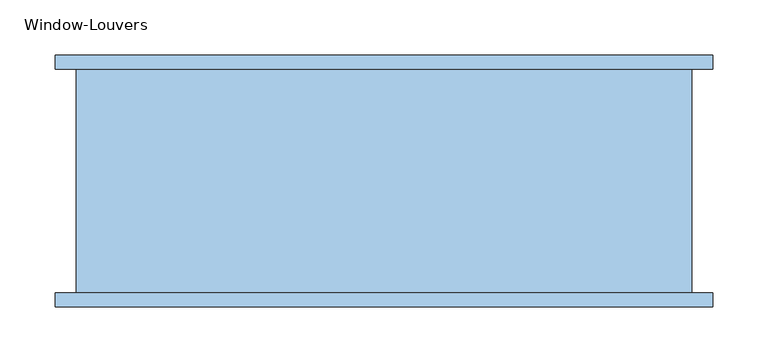
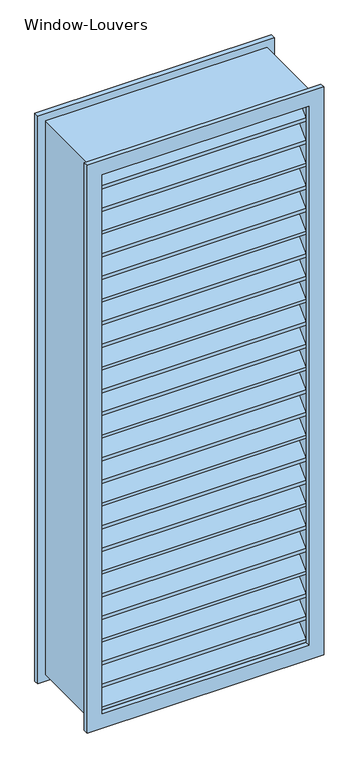
"""IFC4 building model written with IfcOpenShell, lengths in millimetres: window geometry, Window-Louvers."""

import ifcopenshell
import ifcopenshell.guid

model = None  # the IFC model being written
_history = None  # IfcOwnerHistory: only IFC2X3 demands one
_inside = {}  # id of a spatial element -> (the spatial element, [elements in it])
_under = {}  # id of a project, library or spatial element -> (it, [spatial elements below it])
_declared = {}  # id of a project -> (the project, [libraries it declares])
_typed = {}  # id of a type object -> (the type object, [elements of that type])
_made_of = {}  # id of a material, layer set ... -> (it, [elements and type objects made of it])


def new_model(schema):
    """Start an empty IFC model of exactly this schema.

    Asked for "IFC4X3", IfcOpenShell would pick the latest addendum, in which some entities
    have other attributes; the version numbers below select the first issue.
    IFC2X3 requires an IfcOwnerHistory on every rooted entity: one is made here for all.
    """
    global model, _history
    if schema == "IFC4X3":
        model = ifcopenshell.file(schema_version=(4, 3, 0, 0))
    else:
        model = ifcopenshell.file(schema=schema)
    _inside.clear()
    _under.clear()
    _declared.clear()
    _typed.clear()
    _made_of.clear()
    _history = None
    if model.schema == "IFC2X3":
        org = make("IfcOrganization", Name="unknown")
        user = make(
            "IfcPersonAndOrganization",
            ThePerson=make("IfcPerson", FamilyName="unknown"),
            TheOrganization=org,
        )
        app = make(
            "IfcApplication",
            ApplicationDeveloper=org,
            Version="unknown",
            ApplicationFullName="unknown",
            ApplicationIdentifier="unknown",
        )
        _history = make(
            "IfcOwnerHistory",
            OwningUser=user,
            OwningApplication=app,
            ChangeAction="ADDED",
            CreationDate=0,
        )
    return model


def make(cls, **values):
    """One entity of the class cls with the attributes given. An attribute that is None is left unset."""
    return model.create_entity(
        cls, **{name: value for name, value in values.items() if value is not None}
    )


def rooted(cls, **values):
    """An entity with a GlobalId (a new one), such as an element, a storey or a relation."""
    return make(cls, GlobalId=ifcopenshell.guid.new(), OwnerHistory=_history, **values)


def si_unit(unit_type, name, prefix=None):
    """IfcSIUnit, for example si_unit("LENGTHUNIT", "METRE", prefix="MILLI")."""
    return make("IfcSIUnit", UnitType=unit_type, Prefix=prefix, Name=name)


def assignment(units):
    """IfcUnitAssignment: the units of a project."""
    return None if units is None else make("IfcUnitAssignment", Units=units)


def point(xyz):
    """IfcCartesianPoint."""
    return None if xyz is None else make("IfcCartesianPoint", Coordinates=xyz)


def direction(xyz):
    """IfcDirection."""
    return None if xyz is None else make("IfcDirection", DirectionRatios=xyz)


def frame(location, z_axis=None, x_axis=None):
    """IfcAxis2Placement3D, a coordinate frame: its origin and axes. An axis left out is left unset."""
    return make(
        "IfcAxis2Placement3D",
        Location=point(location),
        Axis=direction(z_axis),
        RefDirection=direction(x_axis),
    )


def origin():
    """The frame at (0, 0, 0) with its axes left unset."""
    return frame((0.0, 0.0, 0.0))


def place(relative_to, where):
    """IfcLocalPlacement: puts the frame where relative to a parent placement (None: the world)."""
    return make(
        "IfcLocalPlacement", PlacementRelTo=relative_to, RelativePlacement=where
    )


def context(
    kind, dimensions, precision=None, world=None, true_north=None, identifier=None
):
    """IfcGeometricRepresentationContext, for example the 3D "Model" context."""
    return make(
        "IfcGeometricRepresentationContext",
        ContextIdentifier=identifier,
        ContextType=kind,
        CoordinateSpaceDimension=dimensions,
        Precision=precision,
        WorldCoordinateSystem=world,
        TrueNorth=true_north,
    )


def project(units=None, contexts=None):
    """IfcProject with its units and contexts."""
    return rooted(
        "IfcProject",
        Name="project",
        RepresentationContexts=contexts,
        UnitsInContext=assignment(units),
    )


def spatial(cls, under=None, at=None, **own):
    """A site, building, storey or space (cls), placed at a placement, below another one or the project."""
    s = rooted(cls, ObjectPlacement=at, **own)
    if under is not None:
        _under.setdefault(under.id(), (under, []))[1].append(s)
    return s


def polyline(points):
    """IfcPolyline through the points."""
    return make("IfcPolyline", Points=[point(p) for p in points])


def outline(outer, holes=None, kind="AREA"):
    """IfcArbitraryClosedProfileDef: a profile drawn as a closed curve; with holes, ...WithVoids."""
    if holes is None:
        return make("IfcArbitraryClosedProfileDef", ProfileType=kind, OuterCurve=outer)
    return make(
        "IfcArbitraryProfileDefWithVoids",
        ProfileType=kind,
        OuterCurve=outer,
        InnerCurves=holes,
    )


def extrude(swept, where, along, depth):
    """IfcExtrudedAreaSolid: the profile swept, set in the frame where, extruded along a direction by depth."""
    return make(
        "IfcExtrudedAreaSolid",
        SweptArea=swept,
        Position=where,
        ExtrudedDirection=direction(along),
        Depth=depth,
    )


def shape(context_of_items, identifier, shape_type, items):
    """IfcShapeRepresentation: the items that make up one representation, for example the "Body"."""
    return make(
        "IfcShapeRepresentation",
        ContextOfItems=context_of_items,
        RepresentationIdentifier=identifier,
        RepresentationType=shape_type,
        Items=items,
    )


def source(mapping_origin, context_of_items, identifier, shape_type, items):
    """IfcRepresentationMap: a shape defined once, which mapped items show again and again."""
    return make(
        "IfcRepresentationMap",
        MappingOrigin=mapping_origin,
        MappedRepresentation=shape(context_of_items, identifier, shape_type, items),
    )


def transform(
    local_origin,
    x_axis=None,
    y_axis=None,
    z_axis=None,
    scale=None,
    scale2=None,
    scale3=None,
    uniform=True,
):
    """IfcCartesianTransformationOperator3D, or its non-uniform kind. x_axis, y_axis, z_axis: its Axis1, 2, 3."""
    if uniform:
        return make(
            "IfcCartesianTransformationOperator3D",
            Axis1=direction(x_axis),
            Axis2=direction(y_axis),
            LocalOrigin=point(local_origin),
            Scale=scale,
            Axis3=direction(z_axis),
        )
    return make(
        "IfcCartesianTransformationOperator3DnonUniform",
        Axis1=direction(x_axis),
        Axis2=direction(y_axis),
        LocalOrigin=point(local_origin),
        Scale=scale,
        Axis3=direction(z_axis),
        Scale2=scale2,
        Scale3=scale3,
    )


def mapped(mapping_source, mapping_target):
    """IfcMappedItem: shows the shape of a source again, moved by a transform."""
    return make(
        "IfcMappedItem", MappingSource=mapping_source, MappingTarget=mapping_target
    )


def made_of(thing, what):
    """Note that an element or type object is made of a material, layer set ...; save() writes the relation."""
    if what is not None:
        _made_of.setdefault(what.id(), (what, []))[1].append(thing)
    return thing


def element(
    cls,
    number,
    at=None,
    inside=None,
    cuts=None,
    type_object=None,
    material=None,
    context=None,
    identifier="Body",
    shape_type=None,
    held_by="IfcProductDefinitionShape",
    body=None,
    shapes=None,
    **own,
):
    """One element of the class cls, such as IfcWall. Its Tag is "e" and its number.

    at: its placement. inside: the storey or other place that contains it. cuts: it is an
    opening in that element (IfcRelVoidsElement). A single representation is given by context,
    identifier, shape_type and body (its items); several are given by shapes. held_by: the class
    of the entity that holds the representations. save() writes the other relations.
    """
    e = rooted(cls, Tag="e%d" % number, ObjectPlacement=at, **own)
    if body is not None:
        shapes = [shape(context, identifier, shape_type, body)]
    if shapes is not None:
        e.Representation = make(held_by, Representations=shapes)
    if inside is not None:
        _inside.setdefault(inside.id(), (inside, []))[1].append(e)
    if cuts is not None:
        rooted(
            "IfcRelVoidsElement", RelatingBuildingElement=cuts, RelatedOpeningElement=e
        )
    if type_object is not None:
        _typed.setdefault(type_object.id(), (type_object, []))[1].append(e)
    return made_of(e, material)


def aggregate(whole, parts):
    """IfcRelAggregates: a whole, such as a stair, and the parts it consists of."""
    return rooted("IfcRelAggregates", RelatingObject=whole, RelatedObjects=parts)


def save(model, path):
    """Write the relations noted so far, then the file.

    IfcRelAggregates (storeys below a building ...), IfcRelContainedInSpatialStructure (elements
    in a storey), IfcRelDefinesByType, IfcRelAssociatesMaterial and IfcRelDeclares: one each for
    every whole, place, type object, material and project.
    """
    for whole, parts in _under.values():
        aggregate(whole, parts)
    for where, things in _inside.values():
        rooted(
            "IfcRelContainedInSpatialStructure",
            RelatedElements=things,
            RelatingStructure=where,
        )
    for kind, things in _typed.values():
        rooted("IfcRelDefinesByType", RelatedObjects=things, RelatingType=kind)
    for what, things in _made_of.values():
        rooted("IfcRelAssociatesMaterial", RelatedObjects=things, RelatingMaterial=what)
    for by, libraries in _declared.values():
        rooted("IfcRelDeclares", RelatingContext=by, RelatedDefinitions=libraries)
    model.write(path)


def window_louvers_42c56d5c(model_context):
    return source(origin(), model_context, "Body", "SweptSolid", [
        extrude(outline(polyline([(-95.25, 2270.1013155), (-57.15, 2308.2013155), (-19.05, 2270.1013155), (-19.05, 2261.1210594), (-57.15, 2299.2210594), (-95.25, 2261.1210594), (-95.25, 2270.1013155)])), frame((-260.35, 0.0, 0.0), z_axis=(1.0, 0.0, 0.0), x_axis=(0.0, 1.0, 0.0)), (0.0, 0.0, 1.0), 520.7),
        extrude(outline(polyline([(-95.25, 2209.752631), (-57.15, 2247.852631), (-19.05, 2209.752631), (-19.05, 2200.7723748), (-57.15, 2238.8723748), (-95.25, 2200.7723748), (-95.25, 2209.752631)])), frame((-260.35, 0.0, 0.0), z_axis=(1.0, 0.0, 0.0), x_axis=(0.0, 1.0, 0.0)), (0.0, 0.0, 1.0), 520.7),
        extrude(outline(polyline([(-95.25, 2149.4039465), (-57.15, 2187.5039465), (-19.05, 2149.4039465), (-19.05, 2140.4236903), (-57.15, 2178.5236903), (-95.25, 2140.4236903), (-95.25, 2149.4039465)])), frame((-260.35, 0.0, 0.0), z_axis=(1.0, 0.0, 0.0), x_axis=(0.0, 1.0, 0.0)), (0.0, 0.0, 1.0), 520.7),
        extrude(outline(polyline([(-95.25, 2089.0552619), (-57.15, 2127.1552619), (-19.05, 2089.0552619), (-19.05, 2080.0750058), (-57.15, 2118.1750058), (-95.25, 2080.0750058), (-95.25, 2089.0552619)])), frame((-260.35, 0.0, 0.0), z_axis=(1.0, 0.0, 0.0), x_axis=(0.0, 1.0, 0.0)), (0.0, 0.0, 1.0), 520.7),
        extrude(outline(polyline([(-95.25, 2028.7065774), (-57.15, 2066.8065774), (-19.05, 2028.7065774), (-19.05, 2019.7263213), (-57.15, 2057.8263213), (-95.25, 2019.7263213), (-95.25, 2028.7065774)])), frame((-260.35, 0.0, 0.0), z_axis=(1.0, 0.0, 0.0), x_axis=(0.0, 1.0, 0.0)), (0.0, 0.0, 1.0), 520.7),
        extrude(outline(polyline([(-95.25, 1968.3578929), (-57.15, 2006.4578929), (-19.05, 1968.3578929), (-19.05, 1959.3776368), (-57.15, 1997.4776368), (-95.25, 1959.3776368), (-95.25, 1968.3578929)])), frame((-260.35, 0.0, 0.0), z_axis=(1.0, 0.0, 0.0), x_axis=(0.0, 1.0, 0.0)), (0.0, 0.0, 1.0), 520.7),
        extrude(outline(polyline([(-95.25, 1908.0092084), (-57.15, 1946.1092084), (-19.05, 1908.0092084), (-19.05, 1899.0289523), (-57.15, 1937.1289523), (-95.25, 1899.0289523), (-95.25, 1908.0092084)])), frame((-260.35, 0.0, 0.0), z_axis=(1.0, 0.0, 0.0), x_axis=(0.0, 1.0, 0.0)), (0.0, 0.0, 1.0), 520.7),
        extrude(outline(polyline([(-95.25, 1847.6605239), (-57.15, 1885.7605239), (-19.05, 1847.6605239), (-19.05, 1838.6802677), (-57.15, 1876.7802677), (-95.25, 1838.6802677), (-95.25, 1847.6605239)])), frame((-260.35, 0.0, 0.0), z_axis=(1.0, 0.0, 0.0), x_axis=(0.0, 1.0, 0.0)), (0.0, 0.0, 1.0), 520.7),
        extrude(outline(polyline([(-95.25, 1787.3118394), (-57.15, 1825.4118394), (-19.05, 1787.3118394), (-19.05, 1778.3315832), (-57.15, 1816.4315832), (-95.25, 1778.3315832), (-95.25, 1787.3118394)])), frame((-260.35, 0.0, 0.0), z_axis=(1.0, 0.0, 0.0), x_axis=(0.0, 1.0, 0.0)), (0.0, 0.0, 1.0), 520.7),
        extrude(outline(polyline([(-95.25, 1726.9631548), (-57.15, 1765.0631548), (-19.05, 1726.9631548), (-19.05, 1717.9828987), (-57.15, 1756.0828987), (-95.25, 1717.9828987), (-95.25, 1726.9631548)])), frame((-260.35, 0.0, 0.0), z_axis=(1.0, 0.0, 0.0), x_axis=(0.0, 1.0, 0.0)), (0.0, 0.0, 1.0), 520.7),
        extrude(outline(polyline([(-95.25, 1666.6144703), (-57.15, 1704.7144703), (-19.05, 1666.6144703), (-19.05, 1657.6342142), (-57.15, 1695.7342142), (-95.25, 1657.6342142), (-95.25, 1666.6144703)])), frame((-260.35, 0.0, 0.0), z_axis=(1.0, 0.0, 0.0), x_axis=(0.0, 1.0, 0.0)), (0.0, 0.0, 1.0), 520.7),
        extrude(outline(polyline([(-95.25, 1606.2657858), (-57.15, 1644.3657858), (-19.05, 1606.2657858), (-19.05, 1597.2855297), (-57.15, 1635.3855297), (-95.25, 1597.2855297), (-95.25, 1606.2657858)])), frame((-260.35, 0.0, 0.0), z_axis=(1.0, 0.0, 0.0), x_axis=(0.0, 1.0, 0.0)), (0.0, 0.0, 1.0), 520.7),
        extrude(outline(polyline([(-95.25, 1545.9171013), (-57.15, 1584.0171013), (-19.05, 1545.9171013), (-19.05, 1536.9368452), (-57.15, 1575.0368452), (-95.25, 1536.9368452), (-95.25, 1545.9171013)])), frame((-260.35, 0.0, 0.0), z_axis=(1.0, 0.0, 0.0), x_axis=(0.0, 1.0, 0.0)), (0.0, 0.0, 1.0), 520.7),
        extrude(outline(polyline([(-95.25, 1485.5684168), (-57.15, 1523.6684168), (-19.05, 1485.5684168), (-19.05, 1476.5881606), (-57.15, 1514.6881606), (-95.25, 1476.5881606), (-95.25, 1485.5684168)])), frame((-260.35, 0.0, 0.0), z_axis=(1.0, 0.0, 0.0), x_axis=(0.0, 1.0, 0.0)), (0.0, 0.0, 1.0), 520.7),
        extrude(outline(polyline([(-95.25, 1425.2197323), (-57.15, 1463.3197323), (-19.05, 1425.2197323), (-19.05, 1416.2394761), (-57.15, 1454.3394761), (-95.25, 1416.2394761), (-95.25, 1425.2197323)])), frame((-260.35, 0.0, 0.0), z_axis=(1.0, 0.0, 0.0), x_axis=(0.0, 1.0, 0.0)), (0.0, 0.0, 1.0), 520.7),
        extrude(outline(polyline([(-95.25, 1364.8710477), (-57.15, 1402.9710477), (-19.05, 1364.8710477), (-19.05, 1355.8907916), (-57.15, 1393.9907916), (-95.25, 1355.8907916), (-95.25, 1364.8710477)])), frame((-260.35, 0.0, 0.0), z_axis=(1.0, 0.0, 0.0), x_axis=(0.0, 1.0, 0.0)), (0.0, 0.0, 1.0), 520.7),
        extrude(outline(polyline([(-95.25, 1304.5223632), (-57.15, 1342.6223632), (-19.05, 1304.5223632), (-19.05, 1295.5421071), (-57.15, 1333.6421071), (-95.25, 1295.5421071), (-95.25, 1304.5223632)])), frame((-260.35, 0.0, 0.0), z_axis=(1.0, 0.0, 0.0), x_axis=(0.0, 1.0, 0.0)), (0.0, 0.0, 1.0), 520.7),
        extrude(outline(polyline([(-95.25, 1244.1736787), (-57.15, 1282.2736787), (-19.05, 1244.1736787), (-19.05, 1235.1934226), (-57.15, 1273.2934226), (-95.25, 1235.1934226), (-95.25, 1244.1736787)])), frame((-260.35, 0.0, 0.0), z_axis=(1.0, 0.0, 0.0), x_axis=(0.0, 1.0, 0.0)), (0.0, 0.0, 1.0), 520.7),
        extrude(outline(polyline([(-95.25, 1183.8249942), (-57.15, 1221.9249942), (-19.05, 1183.8249942), (-19.05, 1174.8447381), (-57.15, 1212.9447381), (-95.25, 1174.8447381), (-95.25, 1183.8249942)])), frame((-260.35, 0.0, 0.0), z_axis=(1.0, 0.0, 0.0), x_axis=(0.0, 1.0, 0.0)), (0.0, 0.0, 1.0), 520.7),
        extrude(outline(polyline([(-95.25, 1123.4763097), (-57.15, 1161.5763097), (-19.05, 1123.4763097), (-19.05, 1114.4960535), (-57.15, 1152.5960535), (-95.25, 1114.4960535), (-95.25, 1123.4763097)])), frame((-260.35, 0.0, 0.0), z_axis=(1.0, 0.0, 0.0), x_axis=(0.0, 1.0, 0.0)), (0.0, 0.0, 1.0), 520.7),
        extrude(outline(polyline([(-95.25, 1063.1276252), (-57.15, 1101.2276252), (-19.05, 1063.1276252), (-19.05, 1054.147369), (-57.15, 1092.247369), (-95.25, 1054.147369), (-95.25, 1063.1276252)])), frame((-260.35, 0.0, 0.0), z_axis=(1.0, 0.0, 0.0), x_axis=(0.0, 1.0, 0.0)), (0.0, 0.0, 1.0), 520.7),
        extrude(outline(polyline([(-95.25, 1002.7789406), (-57.15, 1040.8789406), (-19.05, 1002.7789406), (-19.05, 993.7986845), (-57.15, 1031.8986845), (-95.25, 993.7986845), (-95.25, 1002.7789406)])), frame((-260.35, 0.0, 0.0), z_axis=(1.0, 0.0, 0.0), x_axis=(0.0, 1.0, 0.0)), (0.0, 0.0, 1.0), 520.7),
        extrude(outline(polyline([(-95.25, 2330.45), (-57.15, 2368.55), (-19.05, 2330.45), (-19.05, 2321.4697439), (-57.15, 2359.5697439), (-95.25, 2321.4697439), (-95.25, 2330.45)])), frame((-260.35, 0.0, 0.0), z_axis=(1.0, 0.0, 0.0), x_axis=(0.0, 1.0, 0.0)), (0.0, 0.0, 1.0), 520.7),
        extrude(outline(polyline([(-95.25, 942.4302561), (-57.15, 980.5302561), (-19.05, 942.4302561), (-19.05, 933.45), (-57.15, 971.55), (-95.25, 933.45), (-95.25, 942.4302561)])), frame((-260.35, 0.0, 0.0), z_axis=(1.0, 0.0, 0.0), x_axis=(0.0, 1.0, 0.0)), (0.0, 0.0, 1.0), 520.7),
        extrude(outline(polyline([(2387.6, 279.4), (2387.6, -279.4), (914.4, -279.4), (914.4, 279.4), (2387.6, 279.4)]), holes=[polyline([(2368.55, 260.35), (933.45, 260.35), (933.45, -260.35), (2368.55, -260.35), (2368.55, 260.35)])]), frame((0.0, -95.25, 0.0), z_axis=(0.0, 1.0, 0.0), x_axis=(0.0, 0.0, 1.0)), (0.0, 0.0, 1.0), 203.2),
        extrude(outline(polyline([(2406.65, 298.45), (2406.65, -298.45), (895.35, -298.45), (895.35, 298.45), (2406.65, 298.45)]), holes=[polyline([(2368.55, 260.35), (933.45, 260.35), (933.45, -260.35), (2368.55, -260.35), (2368.55, 260.35)])]), frame((0.0, 107.95, 0.0), z_axis=(0.0, 1.0, 0.0), x_axis=(0.0, 0.0, 1.0)), (0.0, 0.0, 1.0), 12.7),
        extrude(outline(polyline([(2406.65, -298.45), (895.35, -298.45), (895.35, 298.45), (2406.65, 298.45), (2406.65, -298.45)]), holes=[polyline([(2368.55, -260.35), (2368.55, 260.35), (933.45, 260.35), (933.45, -260.35), (2368.55, -260.35)])]), frame((0.0, -107.95, 0.0), z_axis=(0.0, 1.0, 0.0), x_axis=(0.0, 0.0, 1.0)), (0.0, 0.0, 1.0), 12.7),
    ])


if __name__ == "__main__":
    model = new_model("IFC4")
    model_context = context("Model", 3, world=origin())
    ifc_project = project(units=[si_unit("LENGTHUNIT", "METRE", prefix="MILLI")], contexts=[model_context])
    site = spatial("IfcSite", under=ifc_project)
    building = spatial("IfcBuilding", under=site)
    placement = place(None, origin())
    window_louvers_shape = window_louvers_42c56d5c(model_context)
    element("IfcWindow", 1, ObjectType="Window-Louvers", at=placement, inside=building, context=model_context, shape_type="MappedRepresentation", body=[
        mapped(window_louvers_shape, transform((0.0, 0.0, 0.0), x_axis=(1.0, 0.0, 0.0), y_axis=(0.0, 1.0, 0.0), z_axis=(0.0, 0.0, 1.0))),
    ])
    save(model, "model.ifc")
